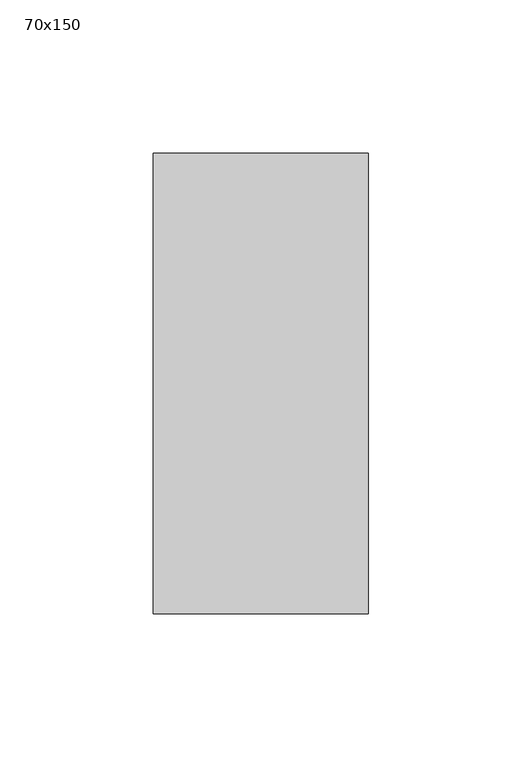
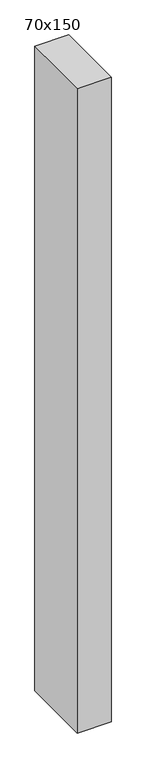
"""IFC4 building model written with IfcOpenShell, lengths in millimetres: member geometry, 70x150."""

from ifc_helpers import new_model, si_unit, frame, origin, place, context, project, spatial, polyline, outline, extrude, source, transform, mapped, element, save


def member_70x150_315d404a(model_context):
    return source(origin(), model_context, "Body", "SweptSolid", [
        extrude(outline(polyline([(-75.0, -0.7561664), (75.0, 0.7561664), (75.0, -1401.6672959), (-75.0, -1402.2838104), (-75.0, -0.7561664)])), frame((-35.0, 0.0, 0.0), z_axis=(1.0, 0.0, 0.0), x_axis=(0.0, 1.0, 0.0)), (0.0, 0.0, 1.0), 70.0),
    ])


if __name__ == "__main__":
    model = new_model("IFC4")
    model_context = context("Model", 3, world=origin())
    ifc_project = project(units=[si_unit("LENGTHUNIT", "METRE", prefix="MILLI")], contexts=[model_context])
    site = spatial("IfcSite", under=ifc_project)
    building = spatial("IfcBuilding", under=site)
    placement = place(None, origin())
    member_70x150_shape = member_70x150_315d404a(model_context)
    element("IfcMember", 1, ObjectType="70x150", at=placement, inside=building, context=model_context, shape_type="MappedRepresentation", body=[
        mapped(member_70x150_shape, transform((0.0, 0.0, 0.0), x_axis=(1.0, 0.0, 0.0), y_axis=(0.0, 1.0, 0.0), z_axis=(0.0, 0.0, 1.0))),
    ])
    save(model, "model.ifc")
